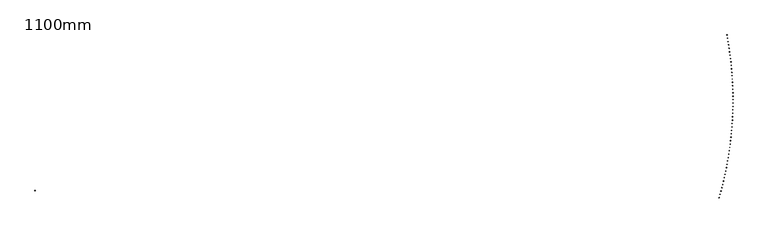
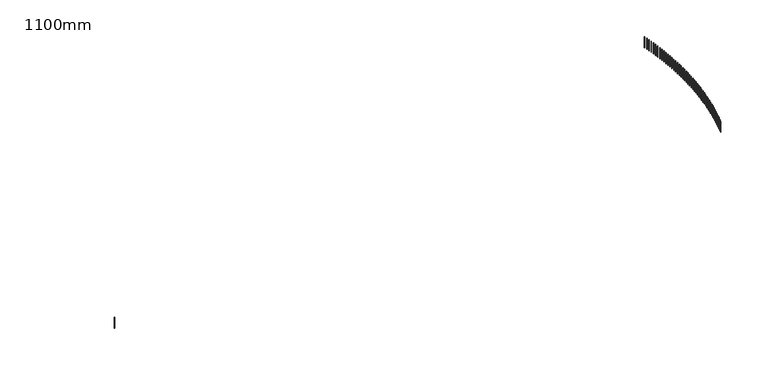
"""IFC4 building model written with IfcOpenShell, lengths in millimetres: railing geometry, 1100mm."""

import ifcopenshell
import ifcopenshell.guid

model = None  # the IFC model being written
_history = None  # IfcOwnerHistory: only IFC2X3 demands one
_inside = {}  # id of a spatial element -> (the spatial element, [elements in it])
_under = {}  # id of a project, library or spatial element -> (it, [spatial elements below it])
_declared = {}  # id of a project -> (the project, [libraries it declares])
_typed = {}  # id of a type object -> (the type object, [elements of that type])
_made_of = {}  # id of a material, layer set ... -> (it, [elements and type objects made of it])


def new_model(schema):
    """Start an empty IFC model of exactly this schema.

    Asked for "IFC4X3", IfcOpenShell would pick the latest addendum, in which some entities
    have other attributes; the version numbers below select the first issue.
    IFC2X3 requires an IfcOwnerHistory on every rooted entity: one is made here for all.
    """
    global model, _history
    if schema == "IFC4X3":
        model = ifcopenshell.file(schema_version=(4, 3, 0, 0))
    else:
        model = ifcopenshell.file(schema=schema)
    _inside.clear()
    _under.clear()
    _declared.clear()
    _typed.clear()
    _made_of.clear()
    _history = None
    if model.schema == "IFC2X3":
        org = make("IfcOrganization", Name="unknown")
        user = make(
            "IfcPersonAndOrganization",
            ThePerson=make("IfcPerson", FamilyName="unknown"),
            TheOrganization=org,
        )
        app = make(
            "IfcApplication",
            ApplicationDeveloper=org,
            Version="unknown",
            ApplicationFullName="unknown",
            ApplicationIdentifier="unknown",
        )
        _history = make(
            "IfcOwnerHistory",
            OwningUser=user,
            OwningApplication=app,
            ChangeAction="ADDED",
            CreationDate=0,
        )
    return model


def make(cls, **values):
    """One entity of the class cls with the attributes given. An attribute that is None is left unset."""
    return model.create_entity(
        cls, **{name: value for name, value in values.items() if value is not None}
    )


def rooted(cls, **values):
    """An entity with a GlobalId (a new one), such as an element, a storey or a relation."""
    return make(cls, GlobalId=ifcopenshell.guid.new(), OwnerHistory=_history, **values)


def si_unit(unit_type, name, prefix=None):
    """IfcSIUnit, for example si_unit("LENGTHUNIT", "METRE", prefix="MILLI")."""
    return make("IfcSIUnit", UnitType=unit_type, Prefix=prefix, Name=name)


def assignment(units):
    """IfcUnitAssignment: the units of a project."""
    return None if units is None else make("IfcUnitAssignment", Units=units)


def point(xyz):
    """IfcCartesianPoint."""
    return None if xyz is None else make("IfcCartesianPoint", Coordinates=xyz)


def direction(xyz):
    """IfcDirection."""
    return None if xyz is None else make("IfcDirection", DirectionRatios=xyz)


def frame(location, z_axis=None, x_axis=None):
    """IfcAxis2Placement3D, a coordinate frame: its origin and axes. An axis left out is left unset."""
    return make(
        "IfcAxis2Placement3D",
        Location=point(location),
        Axis=direction(z_axis),
        RefDirection=direction(x_axis),
    )


def origin():
    """The frame at (0, 0, 0) with its axes left unset."""
    return frame((0.0, 0.0, 0.0))


def place(relative_to, where):
    """IfcLocalPlacement: puts the frame where relative to a parent placement (None: the world)."""
    return make(
        "IfcLocalPlacement", PlacementRelTo=relative_to, RelativePlacement=where
    )


def context(
    kind, dimensions, precision=None, world=None, true_north=None, identifier=None
):
    """IfcGeometricRepresentationContext, for example the 3D "Model" context."""
    return make(
        "IfcGeometricRepresentationContext",
        ContextIdentifier=identifier,
        ContextType=kind,
        CoordinateSpaceDimension=dimensions,
        Precision=precision,
        WorldCoordinateSystem=world,
        TrueNorth=true_north,
    )


def project(units=None, contexts=None):
    """IfcProject with its units and contexts."""
    return rooted(
        "IfcProject",
        Name="project",
        RepresentationContexts=contexts,
        UnitsInContext=assignment(units),
    )


def spatial(cls, under=None, at=None, **own):
    """A site, building, storey or space (cls), placed at a placement, below another one or the project."""
    s = rooted(cls, ObjectPlacement=at, **own)
    if under is not None:
        _under.setdefault(under.id(), (under, []))[1].append(s)
    return s


def polyline(points):
    """IfcPolyline through the points."""
    return make("IfcPolyline", Points=[point(p) for p in points])


def outline(outer, holes=None, kind="AREA"):
    """IfcArbitraryClosedProfileDef: a profile drawn as a closed curve; with holes, ...WithVoids."""
    if holes is None:
        return make("IfcArbitraryClosedProfileDef", ProfileType=kind, OuterCurve=outer)
    return make(
        "IfcArbitraryProfileDefWithVoids",
        ProfileType=kind,
        OuterCurve=outer,
        InnerCurves=holes,
    )


def extrude(swept, where, along, depth):
    """IfcExtrudedAreaSolid: the profile swept, set in the frame where, extruded along a direction by depth."""
    return make(
        "IfcExtrudedAreaSolid",
        SweptArea=swept,
        Position=where,
        ExtrudedDirection=direction(along),
        Depth=depth,
    )


def shape(context_of_items, identifier, shape_type, items):
    """IfcShapeRepresentation: the items that make up one representation, for example the "Body"."""
    return make(
        "IfcShapeRepresentation",
        ContextOfItems=context_of_items,
        RepresentationIdentifier=identifier,
        RepresentationType=shape_type,
        Items=items,
    )


def source(mapping_origin, context_of_items, identifier, shape_type, items):
    """IfcRepresentationMap: a shape defined once, which mapped items show again and again."""
    return make(
        "IfcRepresentationMap",
        MappingOrigin=mapping_origin,
        MappedRepresentation=shape(context_of_items, identifier, shape_type, items),
    )


def transform(
    local_origin,
    x_axis=None,
    y_axis=None,
    z_axis=None,
    scale=None,
    scale2=None,
    scale3=None,
    uniform=True,
):
    """IfcCartesianTransformationOperator3D, or its non-uniform kind. x_axis, y_axis, z_axis: its Axis1, 2, 3."""
    if uniform:
        return make(
            "IfcCartesianTransformationOperator3D",
            Axis1=direction(x_axis),
            Axis2=direction(y_axis),
            LocalOrigin=point(local_origin),
            Scale=scale,
            Axis3=direction(z_axis),
        )
    return make(
        "IfcCartesianTransformationOperator3DnonUniform",
        Axis1=direction(x_axis),
        Axis2=direction(y_axis),
        LocalOrigin=point(local_origin),
        Scale=scale,
        Axis3=direction(z_axis),
        Scale2=scale2,
        Scale3=scale3,
    )


def mapped(mapping_source, mapping_target):
    """IfcMappedItem: shows the shape of a source again, moved by a transform."""
    return make(
        "IfcMappedItem", MappingSource=mapping_source, MappingTarget=mapping_target
    )


def made_of(thing, what):
    """Note that an element or type object is made of a material, layer set ...; save() writes the relation."""
    if what is not None:
        _made_of.setdefault(what.id(), (what, []))[1].append(thing)
    return thing


def element(
    cls,
    number,
    at=None,
    inside=None,
    cuts=None,
    type_object=None,
    material=None,
    context=None,
    identifier="Body",
    shape_type=None,
    held_by="IfcProductDefinitionShape",
    body=None,
    shapes=None,
    **own,
):
    """One element of the class cls, such as IfcWall. Its Tag is "e" and its number.

    at: its placement. inside: the storey or other place that contains it. cuts: it is an
    opening in that element (IfcRelVoidsElement). A single representation is given by context,
    identifier, shape_type and body (its items); several are given by shapes. held_by: the class
    of the entity that holds the representations. save() writes the other relations.
    """
    e = rooted(cls, Tag="e%d" % number, ObjectPlacement=at, **own)
    if body is not None:
        shapes = [shape(context, identifier, shape_type, body)]
    if shapes is not None:
        e.Representation = make(held_by, Representations=shapes)
    if inside is not None:
        _inside.setdefault(inside.id(), (inside, []))[1].append(e)
    if cuts is not None:
        rooted(
            "IfcRelVoidsElement", RelatingBuildingElement=cuts, RelatedOpeningElement=e
        )
    if type_object is not None:
        _typed.setdefault(type_object.id(), (type_object, []))[1].append(e)
    return made_of(e, material)


def aggregate(whole, parts):
    """IfcRelAggregates: a whole, such as a stair, and the parts it consists of."""
    return rooted("IfcRelAggregates", RelatingObject=whole, RelatedObjects=parts)


def save(model, path):
    """Write the relations noted so far, then the file.

    IfcRelAggregates (storeys below a building ...), IfcRelContainedInSpatialStructure (elements
    in a storey), IfcRelDefinesByType, IfcRelAssociatesMaterial and IfcRelDeclares: one each for
    every whole, place, type object, material and project.
    """
    for whole, parts in _under.values():
        aggregate(whole, parts)
    for where, things in _inside.values():
        rooted(
            "IfcRelContainedInSpatialStructure",
            RelatedElements=things,
            RelatingStructure=where,
        )
    for kind, things in _typed.values():
        rooted("IfcRelDefinesByType", RelatedObjects=things, RelatingType=kind)
    for what, things in _made_of.values():
        rooted("IfcRelAssociatesMaterial", RelatedObjects=things, RelatingMaterial=what)
    for by, libraries in _declared.values():
        rooted("IfcRelDeclares", RelatingContext=by, RelatedDefinitions=libraries)
    model.write(path)


def railing_1100mm_3dd8534f(model_context):
    return source(origin(), model_context, "Body", "SweptSolid", [
        extrude(outline(polyline([(18164.9499455, -61980.7188274), (18188.9790862, -61987.6181313), (18182.0797824, -62011.6472721), (18158.0506416, -62004.7479682), (18164.9499455, -61980.7188274)])), frame((0.0, 0.0, 14600.0), z_axis=(0.0, 0.0, 1.0), x_axis=(1.0, 0.0, 0.0)), (0.0, 0.0, 1.0), 1050.0),
        extrude(outline(polyline([(18239.412749, -61716.1187681), (18263.5075375, -61722.785189), (18256.8411166, -61746.8799775), (18232.7463281, -61740.2135565), (18239.412749, -61716.1187681)])), frame((0.0, 0.0, 14600.0), z_axis=(0.0, 0.0, 1.0), x_axis=(1.0, 0.0, 0.0)), (0.0, 0.0, 1.0), 1050.0),
        extrude(outline(polyline([(18311.3112025, -61450.8104325), (18335.4693817, -61457.2433461), (18329.0364681, -61481.4015253), (18304.8782889, -61474.9686117), (18311.3112025, -61450.8104325)])), frame((0.0, 0.0, 14600.0), z_axis=(0.0, 0.0, 1.0), x_axis=(1.0, 0.0, 0.0)), (0.0, 0.0, 1.0), 1050.0),
        extrude(outline(polyline([(18380.6385712, -61184.8186723), (18404.8578782, -61191.017476), (18398.6590745, -61215.236783), (18374.4397675, -61209.0379793), (18380.6385712, -61184.8186723)])), frame((0.0, 0.0, 14600.0), z_axis=(0.0, 0.0, 1.0), x_axis=(1.0, 0.0, 0.0)), (0.0, 0.0, 1.0), 1050.0),
        extrude(outline(polyline([(18447.388361, -60918.168403), (18471.6665272, -60924.1325162), (18465.7024141, -60948.4106824), (18441.4242479, -60942.4465693), (18447.388361, -60918.168403)])), frame((0.0, 0.0, 14600.0), z_axis=(0.0, 0.0, 1.0), x_axis=(1.0, 0.0, 0.0)), (0.0, 0.0, 1.0), 1050.0),
        extrude(outline(polyline([(18511.5543196, -60650.884602), (18535.8890708, -60656.6134659), (18530.1602069, -60680.9482172), (18505.8254557, -60675.2193533), (18511.5543196, -60650.884602)])), frame((0.0, 0.0, 14600.0), z_axis=(0.0, 0.0, 1.0), x_axis=(1.0, 0.0, 0.0)), (0.0, 0.0, 1.0), 1050.0),
        extrude(outline(polyline([(18573.1304364, -60382.9923058), (18597.5194933, -60388.4853838), (18592.0264152, -60412.8744407), (18567.6373584, -60407.3813626), (18573.1304364, -60382.9923058)])), frame((0.0, 0.0, 14600.0), z_axis=(0.0, 0.0, 1.0), x_axis=(1.0, 0.0, 0.0)), (0.0, 0.0, 1.0), 1050.0),
        extrude(outline(polyline([(18632.1109437, -60114.516608), (18656.5520216, -60119.7733857), (18651.2952439, -60144.2144636), (18626.854166, -60138.9576859), (18632.1109437, -60114.516608)])), frame((0.0, 0.0, 14600.0), z_axis=(0.0, 0.0, 1.0), x_axis=(1.0, 0.0, 0.0)), (0.0, 0.0, 1.0), 1050.0),
        extrude(outline(polyline([(18688.4903166, -59845.4826569), (18712.9811262, -59850.5026418), (18707.9611413, -59874.9934513), (18683.4703318, -59869.9734664), (18688.4903166, -59845.4826569)])), frame((0.0, 0.0, 14600.0), z_axis=(0.0, 0.0, 1.0), x_axis=(1.0, 0.0, 0.0)), (0.0, 0.0, 1.0), 1050.0),
        extrude(outline(polyline([(18742.2632741, -59575.915653), (18766.8015213, -59580.6983749), (18762.0187994, -59605.236622), (18737.4805523, -59600.4539002), (18742.2632741, -59575.915653)])), frame((0.0, 0.0, 14600.0), z_axis=(0.0, 0.0, 1.0), x_axis=(1.0, 0.0, 0.0)), (0.0, 0.0, 1.0), 1050.0),
        extrude(outline(polyline([(18793.4247793, -59305.8408469), (18818.0081655, -59310.3858577), (18813.4631547, -59334.9692439), (18788.8797685, -59330.4242331), (18793.4247793, -59305.8408469)])), frame((0.0, 0.0, 14600.0), z_axis=(0.0, 0.0, 1.0), x_axis=(1.0, 0.0, 0.0)), (0.0, 0.0, 1.0), 1050.0),
        extrude(outline(polyline([(18841.9700398, -59035.2835364), (18866.5962623, -59039.5904105), (18862.2893882, -59064.216633), (18837.6631657, -59059.909759), (18841.9700398, -59035.2835364)])), frame((0.0, 0.0, 14600.0), z_axis=(0.0, 0.0, 1.0), x_axis=(1.0, 0.0, 0.0)), (0.0, 0.0, 1.0), 1050.0),
        extrude(outline(polyline([(18887.8945083, -58764.269065), (18912.5612604, -58768.3373989), (18908.4929265, -58793.004151), (18883.8261744, -58788.9358171), (18887.8945083, -58764.269065)])), frame((0.0, 0.0, 14600.0), z_axis=(0.0, 0.0, 1.0), x_axis=(1.0, 0.0, 0.0)), (0.0, 0.0, 1.0), 1050.0),
        extrude(outline(polyline([(18931.1938832, -58492.8228186), (18955.8988543, -58496.6522313), (18952.0694417, -58521.3572024), (18927.3644706, -58517.5277898), (18931.1938832, -58492.8228186)])), frame((0.0, 0.0, 14600.0), z_axis=(0.0, 0.0, 1.0), x_axis=(1.0, 0.0, 0.0)), (0.0, 0.0, 1.0), 1050.0),
        extrude(outline(polyline([(18971.8641085, -58220.9702238), (18996.6049845, -58224.5603565), (18993.0148518, -58249.3012325), (18968.2739758, -58245.7110998), (18971.8641085, -58220.9702238)])), frame((0.0, 0.0, 14600.0), z_axis=(0.0, 0.0, 1.0), x_axis=(1.0, 0.0, 0.0)), (0.0, 0.0, 1.0), 1050.0),
        extrude(outline(polyline([(19009.9013746, -57948.7367451), (19034.675838, -57952.0872615), (19031.3253216, -57976.861725), (19006.5508581, -57973.5112086), (19009.9013746, -57948.7367451)])), frame((0.0, 0.0, 14600.0), z_axis=(0.0, 0.0, 1.0), x_axis=(1.0, 0.0, 0.0)), (0.0, 0.0, 1.0), 1050.0),
        extrude(outline(polyline([(19045.3021185, -57676.1478828), (19070.1078487, -57679.2584691), (19066.9972624, -57704.0641993), (19042.1915322, -57700.953613), (19045.3021185, -57676.1478828)])), frame((0.0, 0.0, 14600.0), z_axis=(0.0, 0.0, 1.0), x_axis=(1.0, 0.0, 0.0)), (0.0, 0.0, 1.0), 1050.0),
        extrude(outline(polyline([(19078.0630243, -57403.2291703), (19102.8976977, -57406.0995352), (19100.0273329, -57430.9342086), (19075.1926595, -57428.0638438), (19078.0630243, -57403.2291703)])), frame((0.0, 0.0, 14600.0), z_axis=(0.0, 0.0, 1.0), x_axis=(1.0, 0.0, 0.0)), (0.0, 0.0, 1.0), 1050.0),
        extrude(outline(polyline([(19108.1810232, -57130.0061723), (19133.0423136, -57132.6360468), (19130.4124391, -57157.4973372), (19105.5511487, -57154.8674627), (19108.1810232, -57130.0061723)])), frame((0.0, 0.0, 14600.0), z_axis=(0.0, 0.0, 1.0), x_axis=(1.0, 0.0, 0.0)), (0.0, 0.0, 1.0), 1050.0),
        extrude(outline(polyline([(19135.6532941, -56856.5044815), (19160.5388726, -56858.8936193), (19158.1497348, -56883.7791979), (19133.2641562, -56881.39006), (19135.6532941, -56856.5044815)])), frame((0.0, 0.0, 14600.0), z_axis=(0.0, 0.0, 1.0), x_axis=(1.0, 0.0, 0.0)), (0.0, 0.0, 1.0), 1050.0),
        extrude(outline(polyline([(19160.4772635, -56582.749717), (19185.3847992, -56584.8978943), (19183.2366219, -56609.80543), (19158.3290862, -56607.6572527), (19160.4772635, -56582.749717)])), frame((0.0, 0.0, 14600.0), z_axis=(0.0, 0.0, 1.0), x_axis=(1.0, 0.0, 0.0)), (0.0, 0.0, 1.0), 1050.0),
        extrude(outline(polyline([(19182.6506063, -56308.7675216), (19207.577766, -56310.6745372), (19205.6707504, -56335.6016969), (19180.7435907, -56333.6946813), (19182.6506063, -56308.7675216)])), frame((0.0, 0.0, 14600.0), z_axis=(0.0, 0.0, 1.0), x_axis=(1.0, 0.0, 0.0)), (0.0, 0.0, 1.0), 1050.0),
        extrude(outline(polyline([(19202.1712455, -56034.5835593), (19227.1156943, -56036.2492346), (19225.4500189, -56061.1936834), (19200.5055701, -56059.5280081), (19202.1712455, -56034.5835593)])), frame((0.0, 0.0, 14600.0), z_axis=(0.0, 0.0, 1.0), x_axis=(1.0, 0.0, 0.0)), (0.0, 0.0, 1.0), 1050.0),
        extrude(outline(polyline([(19219.0373524, -55760.223513), (19243.9967538, -55761.647692), (19242.5725748, -55786.6070933), (19217.6131735, -55785.1829143), (19219.0373524, -55760.223513)])), frame((0.0, 0.0, 14600.0), z_axis=(0.0, 0.0, 1.0), x_axis=(1.0, 0.0, 0.0)), (0.0, 0.0, 1.0), 1050.0),
        extrude(outline(polyline([(19233.2473474, -55485.7130823), (19258.2193633, -55486.8956315), (19257.036814, -55511.8676474), (19232.0647982, -55510.6850982), (19233.2473474, -55485.7130823)])), frame((0.0, 0.0, 14600.0), z_axis=(0.0, 0.0, 1.0), x_axis=(1.0, 0.0, 0.0)), (0.0, 0.0, 1.0), 1050.0),
        extrude(outline(polyline([(19244.7998993, -55211.0779806), (19269.7821906, -55212.0187893), (19268.8413819, -55237.0010806), (19243.8590906, -55236.0602719), (19244.7998993, -55211.0779806)])), frame((0.0, 0.0, 14600.0), z_axis=(0.0, 0.0, 1.0), x_axis=(1.0, 0.0, 0.0)), (0.0, 0.0, 1.0), 1050.0),
        extrude(outline(polyline([(19253.693926, -54936.3439331), (19278.6841526, -54937.0429132), (19277.9851725, -54962.0331398), (19252.9949459, -54961.3341598), (19253.693926, -54936.3439331)])), frame((0.0, 0.0, 14600.0), z_axis=(0.0, 0.0, 1.0), x_axis=(1.0, 0.0, 0.0)), (0.0, 0.0, 1.0), 1050.0),
        extrude(outline(polyline([(19259.9285943, -54661.5366744), (19284.9244154, -54661.9937604), (19284.4673295, -54686.9895815), (19259.4715084, -54686.5324955), (19259.9285943, -54661.5366744)])), frame((0.0, 0.0, 14600.0), z_axis=(0.0, 0.0, 1.0), x_axis=(1.0, 0.0, 0.0)), (0.0, 0.0, 1.0), 1050.0),
        extrude(outline(polyline([(19263.5033203, -54386.6819458), (19288.5023945, -54386.8970948), (19288.2872455, -54411.896169), (19263.2881713, -54411.68102), (19263.5033203, -54386.6819458)])), frame((0.0, 0.0, 14600.0), z_axis=(0.0, 0.0, 1.0), x_axis=(1.0, 0.0, 0.0)), (0.0, 0.0, 1.0), 1050.0),
        extrude(outline(polyline([(19264.4177692, -54111.8054929), (19289.4177548, -54111.7786848), (19289.4445629, -54136.7786705), (19264.4445773, -54136.8054785), (19264.4177692, -54111.8054929)])), frame((0.0, 0.0, 14600.0), z_axis=(0.0, 0.0, 1.0), x_axis=(1.0, 0.0, 0.0)), (0.0, 0.0, 1.0), 1050.0),
        extrude(outline(polyline([(19262.6718552, -53836.9330637), (19287.6704105, -53836.6643011), (19287.9391732, -53861.6628564), (19262.9406179, -53861.931619), (19262.6718552, -53836.9330637)])), frame((0.0, 0.0, 14600.0), z_axis=(0.0, 0.0, 1.0), x_axis=(1.0, 0.0, 0.0)), (0.0, 0.0, 1.0), 1050.0),
        extrude(outline(polyline([(19258.265742, -53562.0904057), (19283.2605253, -53561.5797136), (19283.7712174, -53586.5744969), (19258.776434, -53587.085189), (19258.265742, -53562.0904057)])), frame((0.0, 0.0, 14600.0), z_axis=(0.0, 0.0, 1.0), x_axis=(1.0, 0.0, 0.0)), (0.0, 0.0, 1.0), 1050.0),
        extrude(outline(polyline([(19251.1998422, -53287.3032633), (19276.1885122, -53286.5506897), (19276.9410859, -53311.5393598), (19251.9524158, -53312.2919334), (19251.1998422, -53287.3032633)])), frame((0.0, 0.0, 14600.0), z_axis=(0.0, 0.0, 1.0), x_axis=(1.0, 0.0, 0.0)), (0.0, 0.0, 1.0), 1050.0),
        extrude(outline(polyline([(19241.4748176, -53012.5973762), (19266.4550338, -53011.6029914), (19267.4494185, -53036.5832076), (19242.4692024, -53037.5775923), (19241.4748176, -53012.5973762)])), frame((0.0, 0.0, 14600.0), z_axis=(0.0, 0.0, 1.0), x_axis=(1.0, 0.0, 0.0)), (0.0, 0.0, 1.0), 1050.0),
        extrude(outline(polyline([(19229.0915794, -52737.998476), (19254.0610017, -52736.7623734), (19255.2971043, -52761.7317957), (19230.327682, -52762.9678983), (19229.0915794, -52737.998476)])), frame((0.0, 0.0, 14600.0), z_axis=(0.0, 0.0, 1.0), x_axis=(1.0, 0.0, 0.0)), (0.0, 0.0, 1.0), 1050.0),
        extrude(outline(polyline([(19214.0512873, -52463.5322848), (19239.0075769, -52462.05458), (19240.4852817, -52487.0108695), (19215.5289921, -52488.4885743), (19214.0512873, -52463.5322848)])), frame((0.0, 0.0, 14600.0), z_axis=(0.0, 0.0, 1.0), x_axis=(1.0, 0.0, 0.0)), (0.0, 0.0, 1.0), 1050.0),
        extrude(outline(polyline([(19196.3553503, -52189.2245117), (19221.2961694, -52187.5053432), (19223.0153379, -52212.4461624), (19198.0745188, -52214.1653309), (19196.3553503, -52189.2245117)])), frame((0.0, 0.0, 14600.0), z_axis=(0.0, 0.0, 1.0), x_axis=(1.0, 0.0, 0.0)), (0.0, 0.0, 1.0), 1050.0),
        extrude(outline(polyline([(19176.0054258, -51915.1008515), (19200.9284384, -51913.1403803), (19202.8889096, -51938.0633928), (19177.965897, -51940.023864), (19176.0054258, -51915.1008515)])), frame((0.0, 0.0, 14600.0), z_axis=(0.0, 0.0, 1.0), x_axis=(1.0, 0.0, 0.0)), (0.0, 0.0, 1.0), 1050.0),
        extrude(outline(polyline([(19153.0034202, -51641.1869813), (19177.9062916, -51638.985391), (19180.1078818, -51663.8882624), (19155.2050105, -51666.0898526), (19153.0034202, -51641.1869813)])), frame((0.0, 0.0, 14600.0), z_axis=(0.0, 0.0, 1.0), x_axis=(1.0, 0.0, 0.0)), (0.0, 0.0, 1.0), 1050.0),
        extrude(outline(polyline([(19127.351488, -51367.5085588), (19152.2318855, -51365.0660558), (19154.6743886, -51389.9464532), (19129.7939911, -51392.3889563), (19127.351488, -51367.5085588)])), frame((0.0, 0.0, 14600.0), z_axis=(0.0, 0.0, 1.0), x_axis=(1.0, 0.0, 0.0)), (0.0, 0.0, 1.0), 1050.0),
        extrude(outline(polyline([(19099.052032, -51094.0912197), (19123.9076251, -51091.4080326), (19126.5908122, -51116.2636257), (19101.7352192, -51118.9468128), (19099.052032, -51094.0912197)])), frame((0.0, 0.0, 14600.0), z_axis=(0.0, 0.0, 1.0), x_axis=(1.0, 0.0, 0.0)), (0.0, 0.0, 1.0), 1050.0),
        extrude(outline(polyline([(19068.1077031, -50820.9605751), (19092.9361636, -50818.0369553), (19095.8597834, -50842.8654157), (19071.031323, -50845.7890355), (19068.1077031, -50820.9605751)])), frame((0.0, 0.0, 14600.0), z_axis=(0.0, 0.0, 1.0), x_axis=(1.0, 0.0, 0.0)), (0.0, 0.0, 1.0), 1050.0),
        extrude(outline(polyline([(19034.5213999, -50548.1422092), (19059.320402, -50544.9784305), (19062.4841806, -50569.7774326), (19037.6851785, -50572.9412113), (19034.5213999, -50548.1422092)])), frame((0.0, 0.0, 14600.0), z_axis=(0.0, 0.0, 1.0), x_axis=(1.0, 0.0, 0.0)), (0.0, 0.0, 1.0), 1050.0),
        extrude(outline(polyline([(18998.2962683, -50275.6616771), (19023.0634891, -50272.2580359), (19026.4671303, -50297.0252567), (19001.6999094, -50300.4288979), (18998.2962683, -50275.6616771)])), frame((0.0, 0.0, 14600.0), z_axis=(0.0, 0.0, 1.0), x_axis=(1.0, 0.0, 0.0)), (0.0, 0.0, 1.0), 1050.0),
        extrude(outline(polyline([(18959.4357016, -50003.5445021), (18984.1688212, -49999.9013173), (18987.812006, -50024.6344369), (18963.0788864, -50028.2776217), (18959.4357016, -50003.5445021)])), frame((0.0, 0.0, 14600.0), z_axis=(0.0, 0.0, 1.0), x_axis=(1.0, 0.0, 0.0)), (0.0, 0.0, 1.0), 1050.0),
        extrude(outline(polyline([(18917.9433399, -49731.8161737), (18942.6400415, -49727.9337865), (18946.5224288, -49752.6304881), (18921.8257272, -49756.5128753), (18917.9433399, -49731.8161737)])), frame((0.0, 0.0, 14600.0), z_axis=(0.0, 0.0, 1.0), x_axis=(1.0, 0.0, 0.0)), (0.0, 0.0, 1.0), 1050.0),
        extrude(outline(polyline([(18873.8230699, -49460.5021448), (18898.4810401, -49456.3809188), (18902.6022661, -49481.038889), (18877.9442958, -49485.160115), (18873.8230699, -49460.5021448)])), frame((0.0, 0.0, 14600.0), z_axis=(0.0, 0.0, 1.0), x_axis=(1.0, 0.0, 0.0)), (0.0, 0.0, 1.0), 1050.0),
        extrude(outline(polyline([(18827.0790242, -49189.6278294), (18851.6959533, -49185.2681507), (18856.055632, -49209.8850799), (18831.4387029, -49214.2447586), (18827.0790242, -49189.6278294)])), frame((0.0, 0.0, 14600.0), z_axis=(0.0, 0.0, 1.0), x_axis=(1.0, 0.0, 0.0)), (0.0, 0.0, 1.0), 1050.0),
        extrude(outline(polyline([(-36591.1817593, -61427.7006449), (-36615.3509807, -61434.0919464), (-36621.7422823, -61409.922725), (-36597.5730609, -61403.5314235), (-36591.1817593, -61427.7006449)])), frame((0.0, 0.0, 14600.0), z_axis=(0.0, 0.0, 1.0), x_axis=(1.0, 0.0, 0.0)), (0.0, 0.0, 1.0), 1050.0),
        extrude(outline(polyline([(18780.0161355, -48931.4994813), (18804.591738, -48926.9125693), (18809.1786501, -48951.4881718), (18784.6030476, -48956.0750838), (18780.0161355, -48931.4994813)])), frame((0.0, 0.0, 14600.0), z_axis=(0.0, 0.0, 1.0), x_axis=(1.0, 0.0, 0.0)), (0.0, 0.0, 1.0), 1050.0),
    ])


if __name__ == "__main__":
    model = new_model("IFC4")
    model_context = context("Model", 3, world=origin())
    ifc_project = project(units=[si_unit("LENGTHUNIT", "METRE", prefix="MILLI")], contexts=[model_context])
    site = spatial("IfcSite", under=ifc_project)
    building = spatial("IfcBuilding", under=site)
    placement = place(None, origin())
    railing_1100mm_shape = railing_1100mm_3dd8534f(model_context)
    element("IfcRailing", 1, ObjectType="1100mm", at=placement, inside=building, context=model_context, shape_type="MappedRepresentation", body=[
        mapped(railing_1100mm_shape, transform((0.0, 0.0, 0.0), x_axis=(1.0, 0.0, 0.0), y_axis=(0.0, 1.0, 0.0), z_axis=(0.0, 0.0, 1.0))),
    ])
    save(model, "model.ifc")
